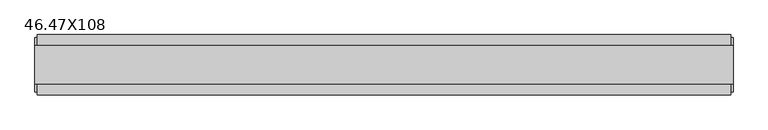
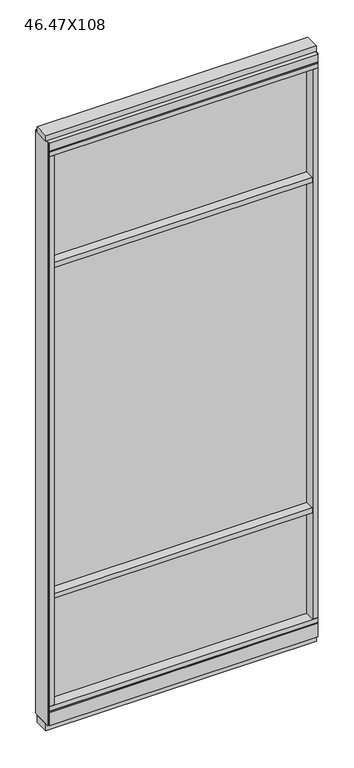
"""IFC4 building model written with IfcOpenShell, lengths in millimetres: furniture geometry, 46.47X108."""

from ifc_helpers import new_model, si_unit, frame, origin, origin_with_axes, place, context, project, spatial, polyline, outline, extrude, source, transform, mapped, element, save


def furniture_46_47x108_621b4741(model_context):
    return source(origin(), model_context, "Body", "SweptSolid", [
        extrude(outline(polyline([(-624.0435229, 0.5622784), (503.9704771, 0.5622784), (503.9704771, -9.5977216), (-624.0435229, -9.5977216), (-624.0435229, 0.5622784)])), frame((0.0, 0.0, 2155.825), z_axis=(0.0, 0.0, 1.0), x_axis=(1.0, 0.0, 0.0)), (0.0, 0.0, 1.0), 498.475),
        extrude(outline(polyline([(-624.0435229, 0.5622784), (503.9704771, 0.5622784), (503.9704771, -9.5977216), (-624.0435229, -9.5977216), (-624.0435229, 0.5622784)])), frame((0.0, 0.0, 631.825), z_axis=(0.0, 0.0, 1.0), x_axis=(1.0, 0.0, 0.0)), (0.0, 0.0, 1.0), 1501.775),
        extrude(outline(polyline([(-624.0435229, -52.3332216), (-624.0435229, 43.2977784), (503.9704771, 43.2977784), (503.9704771, -52.3332216), (-624.0435229, -52.3332216)])), frame((0.0, 0.0, 2133.6), z_axis=(0.0, 0.0, 1.0), x_axis=(1.0, 0.0, 0.0)), (0.0, 0.0, 1.0), 22.225),
        extrude(outline(polyline([(-624.0435229, -52.3332216), (-624.0435229, 43.2977784), (503.9704771, 43.2977784), (503.9704771, -52.3332216), (-624.0435229, -52.3332216)])), frame((0.0, 0.0, 609.6), z_axis=(0.0, 0.0, 1.0), x_axis=(1.0, 0.0, 0.0)), (0.0, 0.0, 1.0), 22.225),
        extrude(outline(polyline([(503.9704771, -9.5977216), (-624.0435229, -9.5977216), (-624.0435229, 0.5622784), (503.9704771, 0.5622784), (503.9704771, -9.5977216)])), frame((0.0, 0.0, 120.523), z_axis=(0.0, 0.0, 1.0), x_axis=(1.0, 0.0, 0.0)), (0.0, 0.0, 1.0), 489.077),
        extrude(outline(polyline([(-55.3177216, 93.345), (-50.3647216, 93.345), (-50.3647216, 98.298), (41.3292784, 98.298), (41.3292784, 93.345), (46.2822784, 93.345), (46.2822784, 31.75), (-55.3177216, 31.75), (-55.3177216, 93.345)])), frame((-646.2685229, 0.0, 0.0), z_axis=(1.0, 0.0, 0.0), x_axis=(0.0, 1.0, 0.0)), (0.0, 0.0, 1.0), 1172.464),
        extrude(outline(polyline([(-646.2685229, -55.3177216), (-646.2685229, 46.2822784), (526.1954771, 46.2822784), (526.1954771, -55.3177216), (-646.2685229, -55.3177216)])), frame((0.0, 0.0, 98.298), z_axis=(0.0, 0.0, 1.0), x_axis=(1.0, 0.0, 0.0)), (0.0, 0.0, 1.0), 22.225),
        extrude(outline(polyline([(530.1324771, 27.9942784), (530.1324771, -37.0297216), (-650.2055229, -37.0297216), (-650.2055229, 27.9942784), (530.1324771, 27.9942784)])), origin_with_axes(), (0.0, 0.0, 1.0), 31.75),
        extrude(outline(polyline([(-650.2055229, -37.0297216), (-650.2055229, 27.9942784), (530.1324771, 27.9942784), (530.1324771, -37.0297216), (-650.2055229, -37.0297216)])), frame((0.0, 0.0, 2717.8), z_axis=(0.0, 0.0, 1.0), x_axis=(1.0, 0.0, 0.0)), (0.0, 0.0, 1.0), 25.4),
        extrude(outline(polyline([(-55.3177216, 2681.478), (-55.3177216, 2717.8), (46.2822784, 2717.8), (46.2822784, 2681.478), (41.3292784, 2681.478), (41.3292784, 2676.525), (-50.3647216, 2676.525), (-50.3647216, 2681.478), (-55.3177216, 2681.478)])), frame((-646.2685229, 0.0, 0.0), z_axis=(1.0, 0.0, 0.0), x_axis=(0.0, 1.0, 0.0)), (0.0, 0.0, 1.0), 1172.464),
        extrude(outline(polyline([(526.1954771, 46.2822784), (526.1954771, -55.3177216), (-646.2685229, -55.3177216), (-646.2685229, 46.2822784), (526.1954771, 46.2822784)])), frame((0.0, 0.0, 2654.3), z_axis=(0.0, 0.0, 1.0), x_axis=(1.0, 0.0, 0.0)), (0.0, 0.0, 1.0), 22.225),
        extrude(outline(polyline([(503.9704771, -55.3177216), (503.9704771, 46.2822784), (526.1954771, 46.2822784), (526.1954771, -55.3177216), (503.9704771, -55.3177216)])), frame((0.0, 0.0, 120.523), z_axis=(0.0, 0.0, 1.0), x_axis=(1.0, 0.0, 0.0)), (0.0, 0.0, 1.0), 2533.777),
        extrude(outline(polyline([(-624.0435229, -55.3177216), (-646.2685229, -55.3177216), (-646.2685229, 46.2822784), (-624.0435229, 46.2822784), (-624.0435229, -55.3177216)])), frame((0.0, 0.0, 120.523), z_axis=(0.0, 0.0, 1.0), x_axis=(1.0, 0.0, 0.0)), (0.0, 0.0, 1.0), 2533.777),
        extrude(outline(polyline([(530.1324771, -50.3647216), (526.1954771, -50.3647216), (526.1954771, 41.3292784), (530.1324771, 41.3292784), (530.1324771, -50.3647216)])), frame((0.0, 0.0, 31.75), z_axis=(0.0, 0.0, 1.0), x_axis=(1.0, 0.0, 0.0)), (0.0, 0.0, 1.0), 2686.05),
        extrude(outline(polyline([(-650.2055229, -50.3647216), (-650.2055229, 41.3292784), (-646.2685229, 41.3292784), (-646.2685229, -50.3647216), (-650.2055229, -50.3647216)])), frame((0.0, 0.0, 31.75), z_axis=(0.0, 0.0, 1.0), x_axis=(1.0, 0.0, 0.0)), (0.0, 0.0, 1.0), 2686.05),
    ])


if __name__ == "__main__":
    model = new_model("IFC4")
    model_context = context("Model", 3, world=origin())
    ifc_project = project(units=[si_unit("LENGTHUNIT", "METRE", prefix="MILLI")], contexts=[model_context])
    site = spatial("IfcSite", under=ifc_project)
    building = spatial("IfcBuilding", under=site)
    placement = place(None, origin())
    furniture_46_47x108_shape = furniture_46_47x108_621b4741(model_context)
    element("IfcFurniture", 1, ObjectType="46.47X108", at=placement, inside=building, context=model_context, shape_type="MappedRepresentation", body=[
        mapped(furniture_46_47x108_shape, transform((0.0, 0.0, 0.0), x_axis=(1.0, 0.0, 0.0), y_axis=(0.0, 1.0, 0.0), z_axis=(0.0, 0.0, 1.0))),
    ])
    save(model, "model.ifc")
